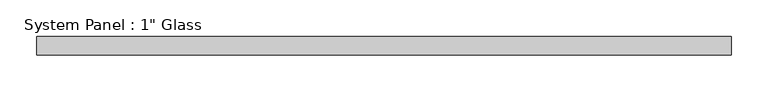
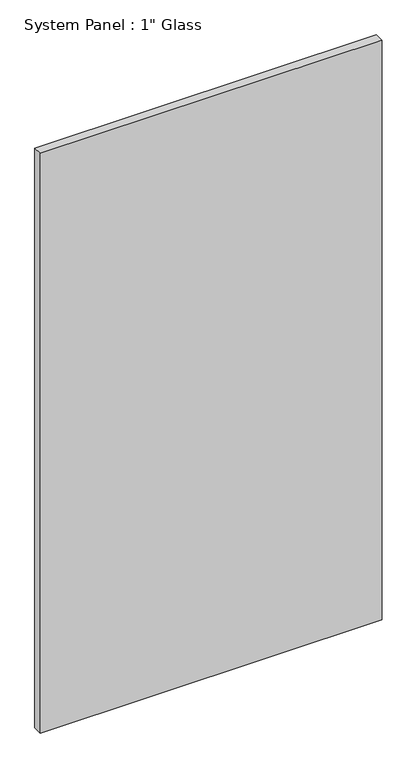
"""IFC4 building model written with IfcOpenShell, lengths in millimetres: plate geometry."""

from ifc_helpers import new_model, si_unit, origin, origin_with_axes, place, context, project, spatial, polyline, outline, extrude, source, transform, mapped, element, save


def plate_74ed5470(model_context):
    return source(origin(), model_context, "Body", "SweptSolid", [
        extrude(outline(polyline([(473.075, -12.7), (-473.075, -12.7), (-473.075, 12.7), (473.075, 12.7), (473.075, -12.7)])), origin_with_axes(), (0.0, 0.0, 1.0), 1695.45),
    ])


if __name__ == "__main__":
    model = new_model("IFC4")
    model_context = context("Model", 3, world=origin())
    ifc_project = project(units=[si_unit("LENGTHUNIT", "METRE", prefix="MILLI")], contexts=[model_context])
    site = spatial("IfcSite", under=ifc_project)
    building = spatial("IfcBuilding", under=site)
    placement = place(None, origin())
    plate_shape = plate_74ed5470(model_context)
    element("IfcPlate", 1, ObjectType="System Panel : 1\" Glass", at=placement, inside=building, context=model_context, shape_type="MappedRepresentation", body=[
        mapped(plate_shape, transform((0.0, 0.0, 0.0), x_axis=(1.0, 0.0, 0.0), y_axis=(0.0, 1.0, 0.0), z_axis=(0.0, 0.0, 1.0))),
    ])
    save(model, "model.ifc")
